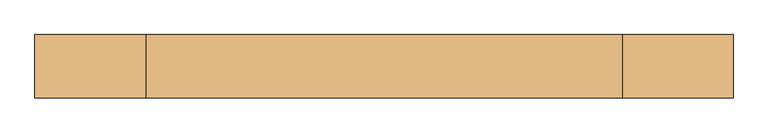
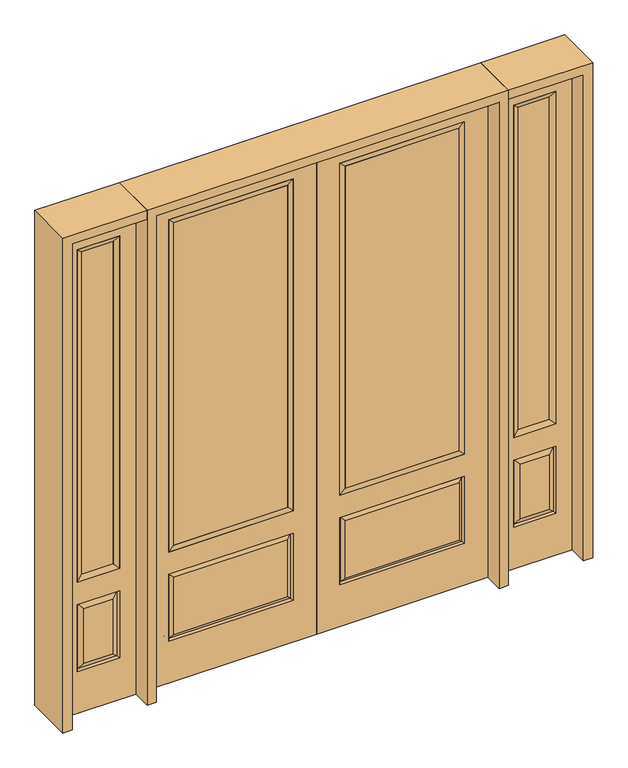
"""IFC4 building model written with IfcOpenShell, lengths in millimetres: door geometry."""

from ifc_helpers import new_model, si_unit, frame, origin, place, context, project, spatial, polyline, outline, extrude, faceted_brep, source, transform, mapped, element, save


def door_d41eaf2e(model_context):
    return source(origin(), model_context, "Body", "SolidModel", [
        extrude(outline(polyline([(136.525, -20.32), (136.525, 5.08), (676.275, 5.08), (676.275, -20.32), (136.525, -20.32)])), frame((0.0, 0.0, 682.498), z_axis=(0.0, 0.0, 1.0), x_axis=(1.0, 0.0, 0.0)), (0.0, 0.0, 1.0), 1616.202),
        faceted_brep([(694.5661499, -12.7912373, 216.6588501), (677.06875, -22.225, 234.15625), (135.73125, -22.225, 234.15625), (118.2338501, -12.7912373, 216.6588501), (111.125, -22.225, 209.55), (701.675, -22.225, 209.55), (701.675, -22.225, 546.1), (694.5661499, -12.7912373, 538.9911499), (0.0, -22.225, 2438.4), (0.0, -22.225, 0.0), (812.8, -22.225, 0.0), (812.8, -22.225, 2438.4), (111.125, -22.225, 546.1), (111.125, -22.225, 2324.1), (701.675, -22.225, 2324.1), (701.675, -22.225, 657.098), (111.125, -22.225, 657.098), (677.06875, -22.225, 521.49375), (135.73125, -22.225, 521.49375), (118.2338501, -12.7912373, 538.9911499), (812.8, 22.225, 0.0), (812.8, 22.225, 2438.4), (0.0, 22.225, 0.0), (0.0, 22.225, 2438.4), (111.125, 22.225, 657.098), (111.125, 22.225, 2324.1), (701.675, 22.225, 657.098), (701.675, 22.225, 2324.1), (135.73125, 22.225, 234.15625), (135.73125, 22.225, 521.49375), (677.06875, 22.225, 521.49375), (677.06875, 22.225, 234.15625), (701.675, 22.225, 209.55), (701.675, 22.225, 546.1), (111.125, 22.225, 546.1), (111.125, 22.225, 209.55), (118.2338501, 12.7912373, 216.6588501), (694.5661499, 12.7912373, 216.6588501), (118.2338501, 12.7912373, 538.9911499), (694.5661499, 12.7912373, 538.9911499)], [[[0, 1, 2, 3]], [[3, 4, 5, 0]], [[5, 6, 7, 0]], [[8, 9, 10, 11], [4, 12, 6, 5], [13, 14, 15, 16]], [[1, 17, 18, 2]], [[3, 19, 12, 4]], [[2, 18, 19, 3]], [[0, 7, 17, 1]], [[6, 12, 19, 7]], [[7, 19, 18, 17]], [[10, 20, 21, 11]], [[9, 22, 20, 10]], [[8, 23, 22, 9]], [[16, 24, 25, 13]], [[15, 26, 24, 16]], [[14, 27, 26, 15]], [[28, 29, 30, 31]], [[23, 21, 20, 22], [25, 24, 26, 27], [32, 33, 34, 35]], [[32, 35, 36, 37]], [[35, 34, 38, 36]], [[39, 38, 34, 33]], [[37, 39, 33, 32]], [[36, 28, 31, 37]], [[31, 30, 39, 37]], [[30, 29, 38, 39]], [[36, 38, 29, 28]], [[11, 21, 23, 8]], [[13, 25, 27, 14]]]),
        faceted_brep([(701.675, -22.225, 2324.1), (701.675, -22.225, 657.098), (701.675, 22.225, 657.098), (701.675, 22.225, 2324.1), (111.125, -22.225, 657.098), (111.125, 22.225, 657.098), (136.525, 5.08, 682.498), (676.275, 5.08, 682.498), (111.125, -22.225, 2324.1), (111.125, 22.225, 2324.1), (676.275, -20.32, 682.498), (136.525, -20.32, 682.498), (676.275, -20.32, 2298.7), (136.525, -20.32, 2298.7), (676.275, 5.08, 2298.7), (136.525, 5.08, 2298.7)], [[[0, 1, 2, 3]], [[1, 4, 5, 2]], [[2, 5, 6, 7]], [[4, 8, 9, 5]], [[10, 11, 4, 1]], [[12, 10, 1, 0]], [[11, 13, 8, 4]], [[7, 6, 11, 10]], [[14, 7, 10, 12]], [[6, 15, 13, 11]], [[3, 2, 7, 14]], [[5, 9, 15, 6]], [[8, 0, 3, 9]], [[13, 12, 0, 8]], [[15, 14, 12, 13]], [[9, 3, 14, 15]]]),
        faceted_brep([(857.25, -22.225, 0.0), (1212.85, -22.225, 0.0), (1212.85, -22.225, 2438.4), (857.25, -22.225, 2438.4), (1135.38, -22.225, 2325.624), (1135.38, -22.225, 657.098), (934.72, -22.225, 657.098), (934.72, -22.225, 2325.624), (1135.38, -22.225, 209.55), (934.72, -22.225, 209.55), (934.72, -22.225, 546.1), (1135.38, -22.225, 546.1), (966.4351001, -22.225, 241.2651001), (1103.6648999, -22.225, 241.2651001), (1103.6648999, -22.225, 514.3848999), (966.4351001, -22.225, 514.3848999), (857.25, 22.225, 0.0), (857.25, 22.225, 2438.4), (1212.85, 22.225, 2438.4), (1212.85, 22.225, 0.0), (1135.38, 22.225, 2325.624), (934.72, 22.225, 2325.624), (934.72, 22.225, 657.098), (1135.38, 22.225, 657.098), (934.72, 22.225, 209.55), (1135.38, 22.225, 209.55), (1135.38, 22.225, 546.1), (934.72, 22.225, 546.1), (1103.6648999, 22.225, 241.2651001), (966.4351001, 22.225, 241.2651001), (966.4351001, 22.225, 514.3848999), (1103.6648999, 22.225, 514.3848999), (1128.2711499, 12.7912373, 216.6588501), (941.8288501, 12.7912373, 216.6588501), (941.8288501, 12.7912373, 538.9911499), (1128.2711499, 12.7912373, 538.9911499), (941.8288501, -12.7912373, 216.6588501), (1128.2711499, -12.7912373, 216.6588501), (941.8288501, -12.7912373, 538.9911499), (1128.2711499, -12.7912373, 538.9911499)], [[[0, 1, 2, 3], [4, 5, 6, 7], [8, 9, 10, 11]], [[12, 13, 14, 15]], [[16, 17, 18, 19], [20, 21, 22, 23], [24, 25, 26, 27]], [[28, 29, 30, 31]], [[1, 0, 16, 19]], [[2, 1, 19, 18]], [[3, 2, 18, 17]], [[0, 3, 17, 16]], [[5, 4, 20, 23]], [[6, 5, 23, 22]], [[7, 6, 22, 21]], [[4, 7, 21, 20]], [[32, 33, 29, 28]], [[33, 32, 25, 24]], [[29, 33, 34, 30]], [[33, 24, 27, 34]], [[30, 34, 35, 31]], [[34, 27, 26, 35]], [[32, 28, 31, 35]], [[25, 32, 35, 26]], [[12, 36, 37, 13]], [[37, 36, 9, 8]], [[36, 12, 15, 38]], [[9, 36, 38, 10]], [[38, 15, 14, 39]], [[10, 38, 39, 11]], [[13, 37, 39, 14]], [[37, 8, 11, 39]]]),
        faceted_brep([(934.72, 22.225, 2325.624), (934.72, -22.225, 2325.624), (1135.38, -22.225, 2325.624), (1135.38, 22.225, 2325.624), (960.12, 12.7, 2300.224), (1109.98, 12.7, 2300.224), (960.12, -12.7, 2300.224), (1109.98, -12.7, 2300.224), (1135.38, -22.225, 657.098), (1135.38, 22.225, 657.098), (1109.98, 12.7, 682.498), (1109.98, -12.7, 682.498), (934.72, -22.225, 657.098), (934.72, 22.225, 657.098), (960.12, 12.7, 682.498), (960.12, -12.7, 682.498)], [[[0, 1, 2, 3]], [[4, 0, 3, 5]], [[6, 4, 5, 7]], [[1, 6, 7, 2]], [[3, 2, 8, 9]], [[5, 3, 9, 10]], [[7, 5, 10, 11]], [[2, 7, 11, 8]], [[9, 8, 12, 13]], [[10, 9, 13, 14]], [[11, 10, 14, 15]], [[8, 11, 15, 12]], [[13, 12, 1, 0]], [[14, 13, 0, 4]], [[15, 14, 4, 6]], [[12, 15, 6, 1]]]),
        extrude(outline(polyline([(1109.98, -12.7), (960.12, -12.7), (960.12, 12.7), (1109.98, 12.7), (1109.98, -12.7)])), frame((0.0, 0.0, 682.498), z_axis=(0.0, 0.0, 1.0), x_axis=(1.0, 0.0, 0.0)), (0.0, 0.0, 1.0), 1617.726),
        faceted_brep([(-1212.85, -22.225, 0.0), (-857.25, -22.225, 0.0), (-857.25, -22.225, 2438.4), (-1212.85, -22.225, 2438.4), (-934.72, -22.225, 2325.624), (-934.72, -22.225, 657.098), (-1135.38, -22.225, 657.098), (-1135.38, -22.225, 2325.624), (-934.72, -22.225, 209.55), (-1135.38, -22.225, 209.55), (-1135.38, -22.225, 546.1), (-934.72, -22.225, 546.1), (-1103.6648999, -22.225, 241.2651001), (-966.4351001, -22.225, 241.2651001), (-966.4351001, -22.225, 514.3848999), (-1103.6648999, -22.225, 514.3848999), (-1212.85, 22.225, 0.0), (-1212.85, 22.225, 2438.4), (-857.25, 22.225, 2438.4), (-857.25, 22.225, 0.0), (-934.72, 22.225, 2325.624), (-1135.38, 22.225, 2325.624), (-1135.38, 22.225, 657.098), (-934.72, 22.225, 657.098), (-1135.38, 22.225, 209.55), (-934.72, 22.225, 209.55), (-934.72, 22.225, 546.1), (-1135.38, 22.225, 546.1), (-966.4351001, 22.225, 241.2651001), (-1103.6648999, 22.225, 241.2651001), (-1103.6648999, 22.225, 514.3848999), (-966.4351001, 22.225, 514.3848999), (-941.8288501, 12.7912373, 216.6588501), (-1128.2711499, 12.7912373, 216.6588501), (-1128.2711499, 12.7912373, 538.9911499), (-941.8288501, 12.7912373, 538.9911499), (-1128.2711499, -12.7912373, 216.6588501), (-941.8288501, -12.7912373, 216.6588501), (-1128.2711499, -12.7912373, 538.9911499), (-941.8288501, -12.7912373, 538.9911499)], [[[0, 1, 2, 3], [4, 5, 6, 7], [8, 9, 10, 11]], [[12, 13, 14, 15]], [[16, 17, 18, 19], [20, 21, 22, 23], [24, 25, 26, 27]], [[28, 29, 30, 31]], [[1, 0, 16, 19]], [[2, 1, 19, 18]], [[3, 2, 18, 17]], [[0, 3, 17, 16]], [[5, 4, 20, 23]], [[6, 5, 23, 22]], [[7, 6, 22, 21]], [[4, 7, 21, 20]], [[32, 33, 29, 28]], [[33, 32, 25, 24]], [[29, 33, 34, 30]], [[33, 24, 27, 34]], [[30, 34, 35, 31]], [[34, 27, 26, 35]], [[32, 28, 31, 35]], [[25, 32, 35, 26]], [[12, 36, 37, 13]], [[37, 36, 9, 8]], [[36, 12, 15, 38]], [[9, 36, 38, 10]], [[38, 15, 14, 39]], [[10, 38, 39, 11]], [[13, 37, 39, 14]], [[37, 8, 11, 39]]]),
        faceted_brep([(-1135.38, 22.225, 2325.624), (-1135.38, -22.225, 2325.624), (-934.72, -22.225, 2325.624), (-934.72, 22.225, 2325.624), (-1109.98, 12.7, 2300.224), (-960.12, 12.7, 2300.224), (-1109.98, -12.7, 2300.224), (-960.12, -12.7, 2300.224), (-934.72, -22.225, 657.098), (-934.72, 22.225, 657.098), (-960.12, 12.7, 682.498), (-960.12, -12.7, 682.498), (-1135.38, -22.225, 657.098), (-1135.38, 22.225, 657.098), (-1109.98, 12.7, 682.498), (-1109.98, -12.7, 682.498)], [[[0, 1, 2, 3]], [[4, 0, 3, 5]], [[6, 4, 5, 7]], [[1, 6, 7, 2]], [[3, 2, 8, 9]], [[5, 3, 9, 10]], [[7, 5, 10, 11]], [[2, 7, 11, 8]], [[9, 8, 12, 13]], [[10, 9, 13, 14]], [[11, 10, 14, 15]], [[8, 11, 15, 12]], [[13, 12, 1, 0]], [[14, 13, 0, 4]], [[15, 14, 4, 6]], [[12, 15, 6, 1]]]),
        extrude(outline(polyline([(-960.12, -12.7), (-1109.98, -12.7), (-1109.98, 12.7), (-960.12, 12.7), (-960.12, -12.7)])), frame((0.0, 0.0, 682.498), z_axis=(0.0, 0.0, 1.0), x_axis=(1.0, 0.0, 0.0)), (0.0, 0.0, 1.0), 1617.726),
        extrude(outline(polyline([(-136.525, -20.32), (-676.275, -20.32), (-676.275, 5.08), (-136.525, 5.08), (-136.525, -20.32)])), frame((0.0, 0.0, 682.498), z_axis=(0.0, 0.0, 1.0), x_axis=(1.0, 0.0, 0.0)), (0.0, 0.0, 1.0), 1616.202),
        faceted_brep([(-694.5661499, -12.7912373, 216.6588501), (-118.2338501, -12.7912373, 216.6588501), (-135.73125, -22.225, 234.15625), (-677.06875, -22.225, 234.15625), (-701.675, -22.225, 209.55), (-111.125, -22.225, 209.55), (-694.5661499, -12.7912373, 538.9911499), (-701.675, -22.225, 546.1), (-135.73125, -22.225, 521.49375), (-677.06875, -22.225, 521.49375), (0.0, -22.225, 2438.4), (-812.8, -22.225, 2438.4), (-812.8, -22.225, 0.0), (0.0, -22.225, 0.0), (-111.125, -22.225, 546.1), (-111.125, -22.225, 2324.1), (-111.125, -22.225, 657.098), (-701.675, -22.225, 657.098), (-701.675, -22.225, 2324.1), (-118.2338501, -12.7912373, 538.9911499), (-812.8, 22.225, 2438.4), (-812.8, 22.225, 0.0), (0.0, 22.225, 0.0), (0.0, 22.225, 2438.4), (-111.125, 22.225, 2324.1), (-111.125, 22.225, 657.098), (-701.675, 22.225, 657.098), (-701.675, 22.225, 2324.1), (-701.675, 22.225, 209.55), (-111.125, 22.225, 209.55), (-111.125, 22.225, 546.1), (-701.675, 22.225, 546.1), (-135.73125, 22.225, 234.15625), (-677.06875, 22.225, 234.15625), (-677.06875, 22.225, 521.49375), (-135.73125, 22.225, 521.49375), (-694.5661499, 12.7912373, 216.6588501), (-118.2338501, 12.7912373, 216.6588501), (-118.2338501, 12.7912373, 538.9911499), (-694.5661499, 12.7912373, 538.9911499)], [[[0, 1, 2, 3]], [[1, 0, 4, 5]], [[4, 0, 6, 7]], [[3, 2, 8, 9]], [[10, 11, 12, 13], [5, 4, 7, 14], [15, 16, 17, 18]], [[1, 5, 14, 19]], [[2, 1, 19, 8]], [[0, 3, 9, 6]], [[7, 6, 19, 14]], [[6, 9, 8, 19]], [[12, 11, 20, 21]], [[13, 12, 21, 22]], [[10, 13, 22, 23]], [[16, 15, 24, 25]], [[17, 16, 25, 26]], [[18, 17, 26, 27]], [[23, 22, 21, 20], [28, 29, 30, 31], [24, 27, 26, 25]], [[32, 33, 34, 35]], [[28, 36, 37, 29]], [[29, 37, 38, 30]], [[39, 31, 30, 38]], [[36, 28, 31, 39]], [[37, 36, 33, 32]], [[33, 36, 39, 34]], [[34, 39, 38, 35]], [[37, 32, 35, 38]], [[11, 10, 23, 20]], [[15, 18, 27, 24]]]),
        faceted_brep([(-701.675, -22.225, 2324.1), (-701.675, 22.225, 2324.1), (-701.675, 22.225, 657.098), (-701.675, -22.225, 657.098), (-111.125, 22.225, 657.098), (-111.125, -22.225, 657.098), (-676.275, 5.08, 682.498), (-136.525, 5.08, 682.498), (-111.125, 22.225, 2324.1), (-111.125, -22.225, 2324.1), (-676.275, -20.32, 682.498), (-136.525, -20.32, 682.498), (-676.275, -20.32, 2298.7), (-136.525, -20.32, 2298.7), (-676.275, 5.08, 2298.7), (-136.525, 5.08, 2298.7)], [[[0, 1, 2, 3]], [[3, 2, 4, 5]], [[2, 6, 7, 4]], [[5, 4, 8, 9]], [[10, 3, 5, 11]], [[12, 0, 3, 10]], [[11, 5, 9, 13]], [[6, 10, 11, 7]], [[14, 12, 10, 6]], [[7, 11, 13, 15]], [[1, 14, 6, 2]], [[4, 7, 15, 8]], [[9, 8, 1, 0]], [[13, 9, 0, 12]], [[15, 13, 12, 14]], [[8, 15, 14, 1]]]),
        extrude(outline(polyline([(2438.4, -857.25), (2482.85, -857.25), (2482.85, -1257.3), (0.0, -1257.3), (0.0, -1212.85), (2438.4, -1212.85), (2438.4, -857.25)])), frame((0.0, -114.3, 0.0), z_axis=(0.0, 1.0, 0.0), x_axis=(0.0, 0.0, 1.0)), (0.0, 0.0, 1.0), 228.6),
        extrude(outline(polyline([(2482.85, -857.25), (0.0, -857.25), (0.0, -812.8), (2438.4, -812.8), (2438.4, 812.8), (0.0, 812.8), (0.0, 857.25), (2482.85, 857.25), (2482.85, -857.25)])), frame((0.0, -114.3, 0.0), z_axis=(0.0, 1.0, 0.0), x_axis=(0.0, 0.0, 1.0)), (0.0, 0.0, 1.0), 228.6),
        extrude(outline(polyline([(0.0, 1212.85), (0.0, 1257.3), (2482.85, 1257.3), (2482.85, 857.25), (2438.4, 857.25), (2438.4, 1212.85), (0.0, 1212.85)])), frame((0.0, -114.3, 0.0), z_axis=(0.0, 1.0, 0.0), x_axis=(0.0, 0.0, 1.0)), (0.0, 0.0, 1.0), 228.6),
    ])


if __name__ == "__main__":
    model = new_model("IFC4")
    model_context = context("Model", 3, world=origin())
    ifc_project = project(units=[si_unit("LENGTHUNIT", "METRE", prefix="MILLI")], contexts=[model_context])
    site = spatial("IfcSite", under=ifc_project)
    building = spatial("IfcBuilding", under=site)
    placement = place(None, origin())
    door_shape = door_d41eaf2e(model_context)
    element("IfcDoor", 1, at=placement, inside=building, context=model_context, shape_type="MappedRepresentation", body=[
        mapped(door_shape, transform((0.0, 0.0, 0.0), x_axis=(1.0, 0.0, 0.0), y_axis=(0.0, 1.0, 0.0), z_axis=(0.0, 0.0, 1.0))),
    ])
    save(model, "model.ifc")
